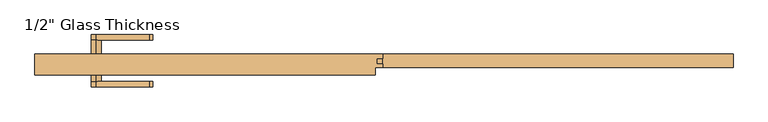
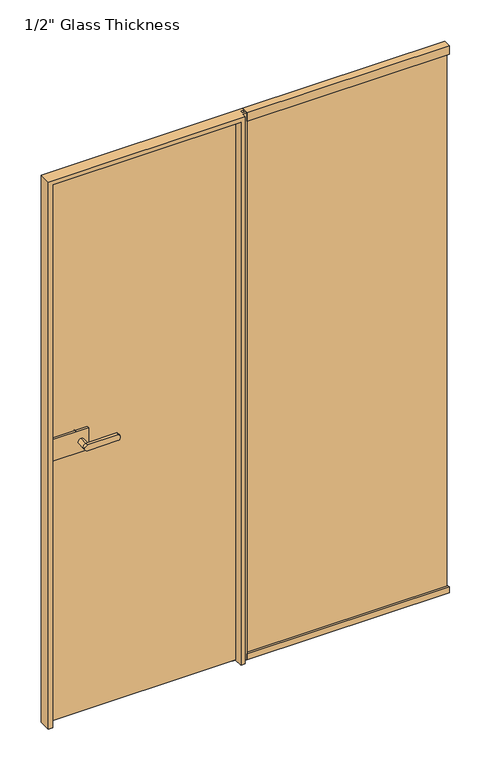
"""IFC4 building model written with IfcOpenShell, lengths in millimetres: door geometry."""

from ifc_helpers import new_model, si_unit, point, frame, frame_2d, origin, place, context, project, spatial, polyline, circle_curve, ellipse_curve, trimmed, segment, composite_curve, outline, extrude, faceted_brep, source, transform, mapped, element, save
from ifc_brep_helpers import plane_surface, cylinder_surface, extruded_surface, advanced_brep


def door_f2344d5e(model_context):
    return source(origin(), model_context, "Body", "SolidModel", [
        extrude(outline(composite_curve([segment(trimmed(circle_curve(frame_2d((1150.0, -659.6832884)), 11.9886308), [point((1161.9886308, -659.6832884))], [point((1138.0113692, -659.6832884))], False, "CARTESIAN"), True, "CONTINUOUS"), segment(trimmed(circle_curve(frame_2d((1150.0, -659.6832884)), 11.9886308), [point((1138.0113692, -659.6832884))], [point((1161.9886308, -659.6832884))], False, "CARTESIAN"), True, "CONTINUOUS")], self_intersect=False)), frame((0.0, 21.06, 0.0), z_axis=(0.0, 1.0, 0.0), x_axis=(0.0, 0.0, 1.0)), (0.0, 0.0, 1.0), 33.5),
        advanced_brep(
        [(-659.6832884, 54.56, 1161.9886308), (-659.6832884, 54.56, 1138.0113692), (-538.0214958, 54.56, 1138.0113692), (-538.0214958, 54.56, 1161.9886308), (-659.6832884, 67.06, 1161.9886308), (-538.0214958, 67.06, 1161.9886308), (-538.0214958, 67.06, 1138.0113692), (-659.6832884, 67.06, 1138.0113692)],
        [
            (0, 1, circle_curve(frame((-659.6832884, 54.56, 1150.0), z_axis=(0.0, -1.0, 0.0), x_axis=(0.0, 0.0, -1.0)), 11.9886308)),
            (1, 2),
            (2, 3, ellipse_curve(frame((-538.0214958, 54.56, 1150.0), z_axis=(0.0, -1.0, 0.0), x_axis=(0.0, 0.0, 1.0)), 11.9886308, 7.9050795)),
            (3, 0),
            (4, 5),
            (5, 6, ellipse_curve(frame((-538.0214958, 67.06, 1150.0), z_axis=(0.0, 1.0, 0.0), x_axis=(0.0, 0.0, 1.0)), 11.9886308, 7.9050795)),
            (6, 7),
            (7, 4, circle_curve(frame((-659.6832884, 67.06, 1150.0), z_axis=(0.0, 1.0, 0.0), x_axis=(0.0, 0.0, -1.0)), 11.9886308)),
            (3, 5),
            (4, 0),
            (2, 6),
            (1, 7),
        ],
        [
            plane_surface(frame((-538.0214958, 54.56, 1161.9886308), z_axis=(0.0, -1.0, 0.0), x_axis=(1.0, 0.0, 0.0))),
            plane_surface(frame((-538.0214958, 67.06, 1161.9886308), z_axis=(0.0, 1.0, 0.0), x_axis=(-1.0, 0.0, 0.0))),
            plane_surface(frame((-659.6832884, 54.56, 1161.9886308), z_axis=(0.0, 0.0, 1.0), x_axis=(0.0, 1.0, 0.0))),
            extruded_surface(trimmed(ellipse_curve(frame((-538.0214958, 67.06, 1150.0), z_axis=(0.0, 1.0, 0.0), x_axis=(0.0, 0.0, 1.0)), 11.9886308, 7.9050795), [point((-538.0214958, 67.06, 1161.9886308))], [point((-538.0214958, 67.06, 1138.0113692))], True, "CARTESIAN"), (0.0, 12.5, 0.0), 12.5),
            plane_surface(frame((-538.0214958, 54.56, 1138.0113692), z_axis=(0.0, 0.0, -1.0), x_axis=(0.0, 1.0, 0.0))),
            cylinder_surface(frame((-659.6832884, 67.06, 1150.0), z_axis=(0.0, -1.0, 0.0), x_axis=(0.0, 0.0, -1.0)), 11.9886308),
        ],
        [
            (0, [[1, 2, 3, 4]]),
            (1, [[5, 6, 7, 8]]),
            (2, [[9, -5, 10, -4]]),
            (3, [[11, -6, -9, -3]]),
            (4, [[12, -7, -11, -2]]),
            (5, [[-10, -8, -12, -1]]),
        ],
    ),
        extrude(outline(polyline([(-763.6832884, 11.06), (-763.6832884, 21.06), (-629.6832884, 21.06), (-629.6832884, 11.06), (-763.6832884, 11.06)])), frame((0.0, 0.0, 1105.0), z_axis=(0.0, 0.0, 1.0), x_axis=(1.0, 0.0, 0.0)), (0.0, 0.0, 1.0), 90.0),
        extrude(outline(polyline([(-779.6832884, -6.94), (-779.6832884, 3.06), (-629.6832884, 3.06), (-629.6832884, -6.94), (-779.6832884, -6.94)])), frame((0.0, 0.0, 1105.0), z_axis=(0.0, 0.0, 1.0), x_axis=(1.0, 0.0, 0.0)), (0.0, 0.0, 1.0), 90.0),
        advanced_brep(
        [(-659.6832884, -6.94, 1161.9886308), (-659.6832884, -6.94, 1138.0113692), (-659.6832884, -40.4398825, 1161.9886308), (-659.6832884, -40.4398825, 1138.0113692), (-659.6832884, -52.9399695, 1161.9886308), (-659.6832884, -52.9399695, 1138.0113692), (-538.0214958, -52.9399695, 1138.0113692), (-538.0214958, -52.9399695, 1161.9886308), (-538.0214958, -40.4398825, 1161.9886308), (-538.0214958, -40.4398825, 1138.0113692)],
        [
            (0, 1, circle_curve(frame((-659.6832884, -6.94, 1150.0), z_axis=(0.0, 1.0, 0.0), x_axis=(0.0, 0.0, -1.0)), 11.9886308)),
            (1, 0, circle_curve(frame((-659.6832884, -6.94, 1150.0), z_axis=(0.0, 1.0, 0.0), x_axis=(0.0, 0.0, -1.0)), 11.9886308)),
            (0, 2),
            (2, 3, circle_curve(frame((-659.6832884, -40.4398825, 1150.0), z_axis=(0.0, 1.0, 0.0), x_axis=(0.0, 0.0, -1.0)), 11.9886308)),
            (3, 1),
            (3, 2, circle_curve(frame((-659.6832884, -40.4398825, 1150.0), z_axis=(0.0, 1.0, 0.0), x_axis=(0.0, 0.0, -1.0)), 11.9886308)),
            (4, 5, circle_curve(frame((-659.6832884, -52.9399695, 1150.0), z_axis=(0.0, -1.0, 0.0), x_axis=(0.0, 0.0, -1.0)), 11.9886308)),
            (5, 6),
            (6, 7, ellipse_curve(frame((-538.0214958, -52.9399695, 1150.0), z_axis=(0.0, -1.0, 0.0), x_axis=(0.0, 0.0, 1.0)), 11.9886308, 7.9050795)),
            (7, 4),
            (2, 8),
            (8, 9, ellipse_curve(frame((-538.0214958, -40.4398825, 1150.0), z_axis=(0.0, 1.0, 0.0), x_axis=(0.0, 0.0, 1.0)), 11.9886308, 7.9050795)),
            (9, 3),
            (7, 8),
            (2, 4),
            (6, 9),
            (5, 3),
        ],
        [
            plane_surface(frame((-659.6832884, -6.94, 1138.0113692), z_axis=(0.0, 1.0, 0.0), x_axis=(1.0, 0.0, 0.0))),
            cylinder_surface(frame((-659.6832884, -6.94, 1150.0), z_axis=(0.0, -1.0, 0.0), x_axis=(0.0, 0.0, -1.0)), 11.9886308),
            plane_surface(frame((-538.0214958, -52.9399695, 1161.9886308), z_axis=(0.0, -1.0, 0.0), x_axis=(1.0, 0.0, 0.0))),
            plane_surface(frame((-538.0214958, -40.4398825, 1161.9886308), z_axis=(0.0, 1.0, 0.0), x_axis=(-1.0, 0.0, 0.0))),
            plane_surface(frame((-659.6832884, -52.9399695, 1161.9886308), z_axis=(0.0, 0.0, 1.0), x_axis=(0.0, 1.0, 0.0))),
            extruded_surface(trimmed(ellipse_curve(frame((-538.0214958, -40.4398825, 1150.0), z_axis=(0.0, 1.0, 0.0), x_axis=(0.0, 0.0, 1.0)), 11.9886308, 7.9050795), [point((-538.0214958, -40.4398825, 1161.9886308))], [point((-538.0214958, -40.4398825, 1138.0113692))], True, "CARTESIAN"), (0.0, 12.500087000000004, 0.0), 12.500087000000004),
            plane_surface(frame((-538.0214958, -52.9399695, 1138.0113692), z_axis=(0.0, 0.0, -1.0), x_axis=(0.0, 1.0, 0.0))),
            cylinder_surface(frame((-659.6832884, -40.4398825, 1150.0), z_axis=(0.0, -1.0, 0.0), x_axis=(0.0, 0.0, -1.0)), 11.9886308),
        ],
        [
            (0, [[1, 2]]),
            (1, [[3, 4, 5, -1]]),
            (1, [[-5, 6, -3, -2]]),
            (2, [[7, 8, 9, 10]]),
            (3, [[-4, 11, 12, 13]]),
            (4, [[14, -11, 15, -10]]),
            (5, [[16, -12, -14, -9]]),
            (6, [[17, -13, -16, -8]]),
            (7, [[-15, -6, -17, -7]]),
        ],
    ),
        faceted_brep([(-17.6832884, -25.94, 2300.0), (-17.6832884, -25.94, 0.0), (-17.6832884, -7.94, 0.0), (-17.6832884, -7.94, 2300.0), (-770.6832884, 22.06, 0.0), (-770.6832884, 11.06, 0.0), (-783.5832884, 11.06, 0.0), (-783.5832884, -25.94, 0.0), (-800.6832884, -25.94, 0.0), (-800.6832884, 22.06, 0.0), (-770.6832884, 22.06, 2270.0), (-47.6832884, 22.06, 2270.0), (-47.6832884, 11.06, 2270.0), (-770.6832884, 11.06, 2270.0), (-47.6832884, 11.06, 0.0), (-34.7832884, 11.06, 0.0), (-34.7832884, 11.06, 2282.9), (-783.5832884, 11.06, 2282.9), (-34.7832884, -25.94, 2282.9), (-783.5832884, -25.94, 2282.9), (-800.6832884, -25.94, 2300.0), (-34.7832884, -25.94, 0.0), (-0.6832884, -7.94, 2300.0), (-0.6832884, 0.0, 2300.0), (-14.6832884, 0.0, 2300.0), (-14.6832884, 12.0, 2300.0), (-0.6832884, 12.0, 2300.0), (-0.6832884, 22.06, 2300.0), (-800.6832884, 22.06, 2300.0), (-0.6832884, 22.06, 0.0), (-47.6832884, 22.06, 0.0), (-0.6832884, 12.0, 0.0), (-14.6832884, 12.0, 0.0), (-14.6832884, 0.0, 0.0), (-0.6832884, 0.0, 0.0), (-0.6832884, -7.94, 0.0)], [[[0, 1, 2, 3]], [[4, 5, 6, 7, 8, 9]], [[10, 11, 12, 13]], [[5, 13, 12, 14, 15, 16, 17, 6]], [[16, 18, 19, 17]], [[0, 20, 8, 7, 19, 18, 21, 1]], [[0, 3, 22, 23, 24, 25, 26, 27, 28, 20]], [[9, 28, 27, 29, 30, 11, 10, 4]], [[4, 10, 13, 5]], [[6, 17, 19, 7]], [[8, 20, 28, 9]], [[15, 14, 30, 29, 31, 32, 33, 34, 35, 2, 1, 21]], [[14, 12, 11, 30]], [[26, 31, 29, 27]], [[25, 32, 31, 26]], [[24, 33, 32, 25]], [[23, 34, 33, 24]], [[22, 35, 34, 23]], [[2, 35, 22, 3]], [[21, 18, 16, 15]]]),
        extrude(outline(polyline([(22.06, 0.0), (-7.94, 0.0), (-7.94, 26.0), (0.0, 26.0), (0.0, 13.0), (12.0, 13.0), (12.0, 26.0), (22.06, 26.0), (22.06, 0.0)])), frame((-0.6832884, 0.0, 0.0), z_axis=(1.0, 0.0, 0.0), x_axis=(0.0, 1.0, 0.0)), (0.0, 0.0, 1.0), 805.3665768),
        extrude(outline(polyline([(22.06, 2300.0), (22.06, 2265.0), (12.0, 2265.0), (12.0, 2280.0), (0.0, 2280.0), (0.0, 2265.0), (-7.94, 2265.0), (-7.94, 2300.0), (22.06, 2300.0)])), frame((-0.6832884, 0.0, 0.0), z_axis=(1.0, 0.0, 0.0), x_axis=(0.0, 1.0, 0.0)), (0.0, 0.0, 1.0), 805.3665768),
        extrude(outline(polyline([(800.6832884, 0.0), (-14.6832884, 0.0), (-14.6832884, 12.0), (800.6832884, 12.0), (800.6832884, 0.0)])), frame((0.0, 0.0, 13.0), z_axis=(0.0, 0.0, 1.0), x_axis=(1.0, 0.0, 0.0)), (0.0, 0.0, 1.0), 2267.0),
        extrude(outline(polyline([(-39.6832884, 3.06), (-779.6832884, 3.06), (-779.6832884, 11.06), (-39.6832884, 11.06), (-39.6832884, 3.06)])), frame((0.0, 0.0, 7.0), z_axis=(0.0, 0.0, 1.0), x_axis=(1.0, 0.0, 0.0)), (0.0, 0.0, 1.0), 2272.0),
    ])


if __name__ == "__main__":
    model = new_model("IFC4")
    model_context = context("Model", 3, world=origin())
    ifc_project = project(units=[si_unit("LENGTHUNIT", "METRE", prefix="MILLI")], contexts=[model_context])
    site = spatial("IfcSite", under=ifc_project)
    building = spatial("IfcBuilding", under=site)
    placement = place(None, origin())
    door_shape = door_f2344d5e(model_context)
    element("IfcDoor", 1, ObjectType="1/2\" Glass Thickness", at=placement, inside=building, context=model_context, shape_type="MappedRepresentation", body=[
        mapped(door_shape, transform((0.0, 0.0, 0.0), x_axis=(1.0, 0.0, 0.0), y_axis=(0.0, 1.0, 0.0), z_axis=(0.0, 0.0, 1.0))),
    ])
    save(model, "model.ifc")
